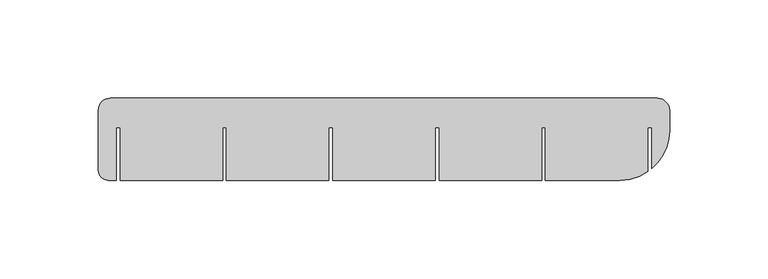
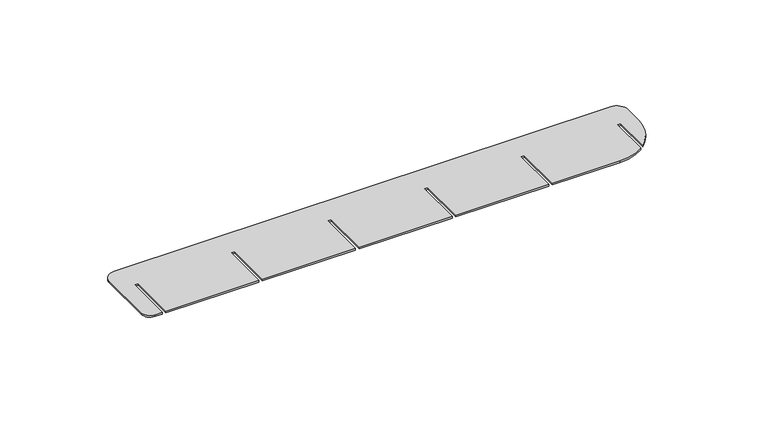
"""IFC4 building model written with IfcOpenShell, lengths in millimetres: proxy geometry."""

from ifc_helpers import new_model, si_unit, point, frame_2d, origin, origin_with_axes, place, context, project, spatial, polyline, circle_curve, trimmed, segment, composite_curve, outline, extrude, source, transform, mapped, element, save


def generic_models_37a2dd08(model_context):
    return source(origin(), model_context, "Body", "SweptSolid", [
        extrude(outline(composite_curve([segment(trimmed(circle_curve(frame_2d((273.8017997, 35.5017997)), 6.1982003), [point((273.8017997, 41.7))], [point((280.0, 35.5017997))], False, "CARTESIAN"), True, "CONTINUOUS"), segment(polyline([(280.0, 35.5017997), (280.0, 25.3)]), True, "CONTINUOUS"), segment(trimmed(circle_curve(frame_2d((254.7, 25.3)), 25.3), [point((280.0, 25.3))], [point((271.0, 5.9505814))], False, "CARTESIAN"), True, "CONTINUOUS"), segment(polyline([(271.0, 5.9505814), (271.0, 26.9), (269.0, 26.9), (269.0, 4.4289674)]), True, "CONTINUOUS"), segment(trimmed(circle_curve(frame_2d((254.7, 25.3)), 25.3), [point((269.0, 4.4289674))], [point((254.7, 0.0))], False, "CARTESIAN"), True, "CONTINUOUS"), segment(polyline([(254.7, 0.0), (217.0, 0.0), (217.0, 26.9), (215.0, 26.9), (215.0, 0.0), (163.0, 0.0), (163.0, 26.9), (161.0, 26.9), (161.0, 0.0), (109.0, 0.0), (109.0, 26.9), (107.0, 26.9), (107.0, 0.0), (55.0, 0.0), (55.0, 26.9), (53.0, 26.9), (53.0, 0.0), (1.0, 0.0), (1.0, 26.9), (-1.0, 26.9), (-1.0, 0.0), (-5.0, 0.0)]), True, "CONTINUOUS"), segment(trimmed(circle_curve(frame_2d((-5.0, 5.0)), 5.0), [point((-5.0, 0.0))], [point((-10.0, 5.0))], False, "CARTESIAN"), True, "CONTINUOUS"), segment(polyline([(-10.0, 5.0), (-10.0, 35.6656042)]), True, "CONTINUOUS"), segment(trimmed(circle_curve(frame_2d((-3.9656042, 35.6656042)), 6.0343958), [point((-10.0, 35.6656042))], [point((-3.9656042, 41.7))], False, "CARTESIAN"), True, "CONTINUOUS"), segment(polyline([(-3.9656042, 41.7), (273.8017997, 41.7)]), True, "CONTINUOUS")], self_intersect=False)), origin_with_axes(), (0.0, 0.0, 1.0), 1.0),
    ])


if __name__ == "__main__":
    model = new_model("IFC4")
    model_context = context("Model", 3, world=origin())
    ifc_project = project(units=[si_unit("LENGTHUNIT", "METRE", prefix="MILLI")], contexts=[model_context])
    site = spatial("IfcSite", under=ifc_project)
    building = spatial("IfcBuilding", under=site)
    placement = place(None, origin())
    generic_models_shape = generic_models_37a2dd08(model_context)
    element("IfcBuildingElementProxy", 1, Name="Generic Models", at=placement, inside=building, context=model_context, shape_type="MappedRepresentation", body=[
        mapped(generic_models_shape, transform((0.0, 0.0, 0.0), x_axis=(1.0, 0.0, 0.0), y_axis=(0.0, 1.0, 0.0), z_axis=(0.0, 0.0, 1.0))),
    ])
    save(model, "model.ifc")
